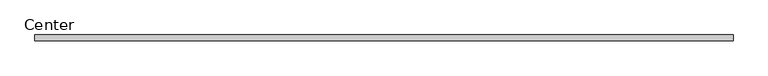
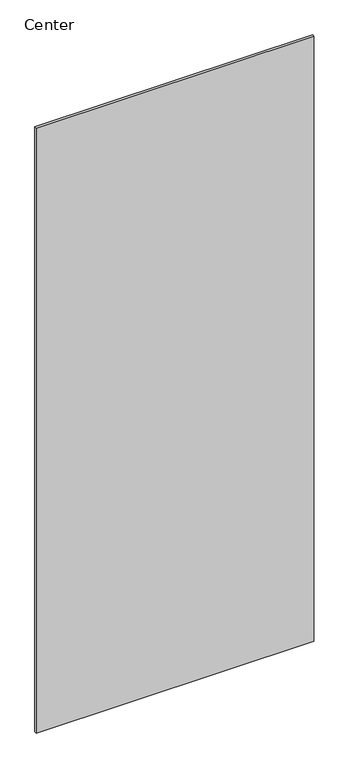
"""IFC4 building model written with IfcOpenShell, lengths in millimetres: plate geometry, Center."""

from ifc_helpers import new_model, si_unit, frame, origin, place, context, project, spatial, polyline, outline, extrude, source, transform, mapped, element, save


def center_6248fbbc(model_context):
    return source(origin(), model_context, "Body", "SweptSolid", [
        extrude(outline(polyline([(578.9249997, 4.7625), (578.9249997, -4.7625), (-578.9249997, -4.7625), (-578.9249997, 4.7625), (578.9249997, 4.7625)])), frame((0.0, 0.0, 31.75), z_axis=(0.0, 0.0, 1.0), x_axis=(1.0, 0.0, 0.0)), (0.0, 0.0, 1.0), 2666.4999996),
    ])


if __name__ == "__main__":
    model = new_model("IFC4")
    model_context = context("Model", 3, world=origin())
    ifc_project = project(units=[si_unit("LENGTHUNIT", "METRE", prefix="MILLI")], contexts=[model_context])
    site = spatial("IfcSite", under=ifc_project)
    building = spatial("IfcBuilding", under=site)
    placement = place(None, origin())
    center_shape = center_6248fbbc(model_context)
    element("IfcPlate", 1, ObjectType="Center", at=placement, inside=building, context=model_context, shape_type="MappedRepresentation", body=[
        mapped(center_shape, transform((0.0, 0.0, 0.0), x_axis=(1.0, 0.0, 0.0), y_axis=(0.0, 1.0, 0.0), z_axis=(0.0, 0.0, 1.0))),
    ])
    save(model, "model.ifc")
